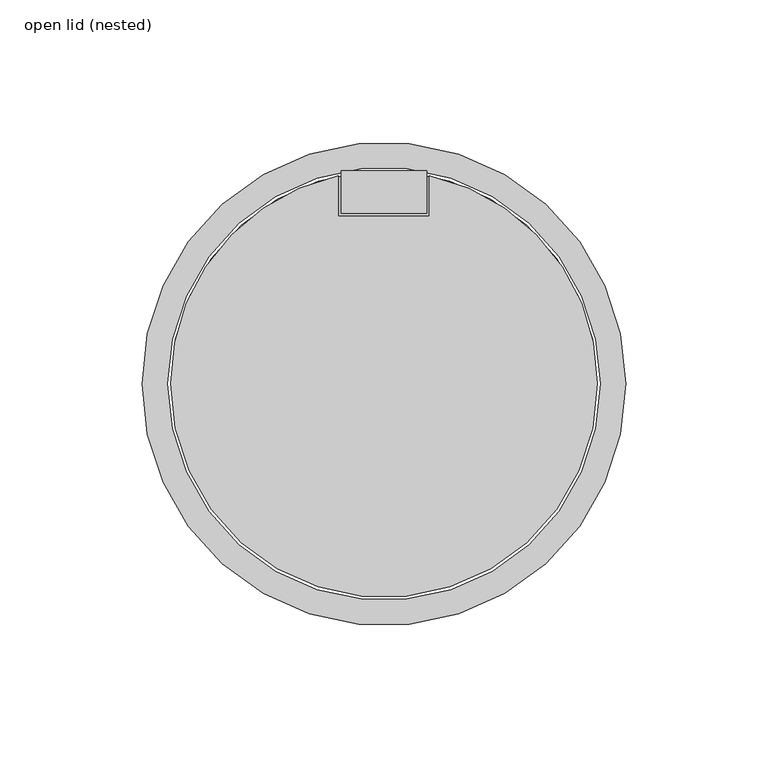
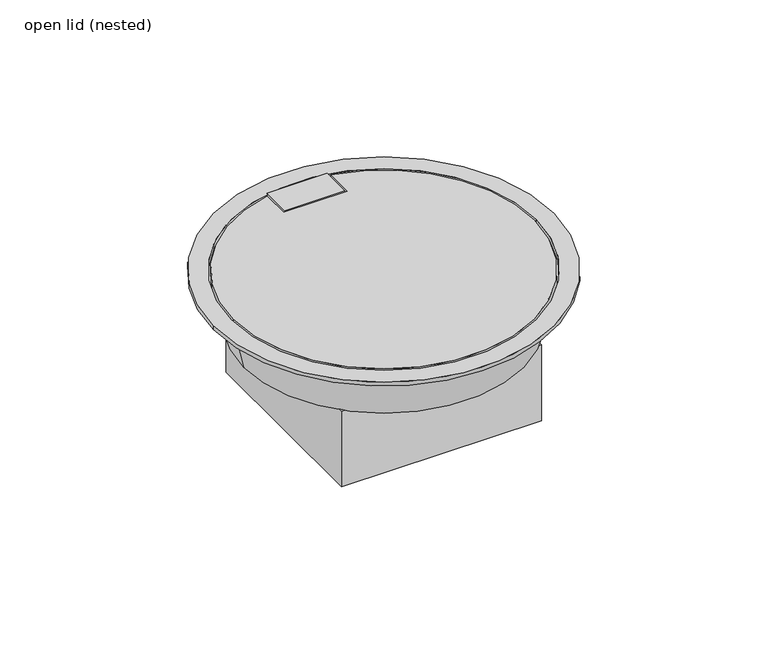
"""IFC4 building model written with IfcOpenShell, lengths in millimetres: outlet geometry, open lid (nested)."""

from ifc_helpers import new_model, si_unit, point, frame, origin, origin_with_axes, origin_2d, place, context, project, spatial, polyline, circle_curve, trimmed, segment, composite_curve, outline, extrude, faceted_brep, source, transform, mapped, element, save
from ifc_brep_helpers import plane_surface, revolved_surface, advanced_brep


def open_lid_nested_cd159df6(model_context):
    return source(origin(), model_context, "Body", "SolidModel", [
        faceted_brep([(50.0, 50.0, -25.0), (-50.0, 50.0, -25.0), (-50.0, -50.0, -25.0), (50.0, -50.0, -25.0), (-45.0, 22.5, -25.0), (45.0, 22.5, -25.0), (45.0, -22.5, -25.0), (-45.0, -22.5, -25.0), (50.0, 50.0, -65.0), (50.0, -50.0, -65.0), (-50.0, -50.0, -65.0), (-50.0, 50.0, -65.0), (45.0, 22.5, -43.0), (-45.0, 22.5, -43.0), (-45.0, -22.5, -43.0), (45.0, -22.5, -43.0)], [[[0, 1, 2, 3], [4, 5, 6, 7]], [[8, 9, 10, 11]], [[1, 0, 8, 11]], [[2, 1, 11, 10]], [[3, 2, 10, 9]], [[0, 3, 9, 8]], [[12, 13, 14, 15]], [[13, 12, 5, 4]], [[14, 13, 4, 7]], [[15, 14, 7, 6]], [[12, 15, 6, 5]]]),
        advanced_brep(
        [(-70.0, 0.0, -25.0), (70.0, 0.0, -25.0), (45.0, 22.5, -25.0), (-45.0, 22.5, -25.0), (-45.0, -22.5, -25.0), (45.0, -22.5, -25.0), (-75.0, 0.0, -3.0), (75.0, 0.0, -3.0), (-45.0, 22.5, -3.0), (45.0, 22.5, -3.0), (45.0, -22.5, -3.0), (-45.0, -22.5, -3.0)],
        [
            (0, 1, circle_curve(frame((0.0, 0.0, -25.0), z_axis=(0.0, 0.0, -1.0), x_axis=(-1.0, 0.0, 0.0)), 70.0)),
            (1, 0, circle_curve(frame((0.0, 0.0, -25.0), z_axis=(0.0, 0.0, -1.0), x_axis=(1.0, 0.0, 0.0)), 70.0)),
            (2, 3),
            (3, 4),
            (4, 5),
            (5, 2),
            (6, 7, circle_curve(frame((0.0, 0.0, -3.0), z_axis=(0.0, 0.0, 1.0), x_axis=(1.0, 0.0, 0.0)), 75.0)),
            (7, 6, circle_curve(frame((0.0, 0.0, -3.0), z_axis=(0.0, 0.0, 1.0), x_axis=(-1.0, 0.0, 0.0)), 75.0)),
            (8, 9),
            (9, 10),
            (10, 11),
            (11, 8),
            (0, 6),
            (7, 1),
            (2, 9),
            (8, 3),
            (11, 4),
            (10, 5),
        ],
        [
            plane_surface(frame((0.0, 0.0, -25.0), z_axis=(0.0, 0.0, -1.0), x_axis=(0.0, -1.0, 0.0))),
            plane_surface(frame((0.0, 0.0, -3.0), z_axis=(0.0, 0.0, 1.0), x_axis=(0.0, -1.0, 0.0))),
            revolved_surface(polyline([(-70.0, 0.0, -25.0), (-75.0, 0.0, -3.0)]), (0.0, 0.0, -333.0), (0.0, 0.0, 1.0)),
            revolved_surface(polyline([(70.0, 0.0, -25.0), (75.0, 0.0, -3.0)]), (0.0, 0.0, -333.0), (0.0, 0.0, 1.0)),
            plane_surface(frame((45.0, 22.5, -3.0), z_axis=(0.0, -1.0, 0.0), x_axis=(0.0, 0.0, -1.0))),
            plane_surface(frame((-45.0, 22.5, -3.0), z_axis=(1.0, 0.0, 0.0), x_axis=(0.0, 0.0, -1.0))),
            plane_surface(frame((-45.0, -22.5, -3.0), z_axis=(0.0, 1.0, 0.0), x_axis=(0.0, 0.0, -1.0))),
            plane_surface(frame((45.0, -22.5, -3.0), z_axis=(-1.0, 0.0, 0.0), x_axis=(0.0, 0.0, -1.0))),
        ],
        [
            (0, [[1, 2], [3, 4, 5, 6]]),
            (1, [[7, 8], [9, 10, 11, 12]]),
            (2, [[-1, 13, -8, 14]]),
            (3, [[-2, -14, -7, -13]]),
            (4, [[15, -9, 16, -3]]),
            (5, [[-16, -12, 17, -4]]),
            (6, [[-17, -11, 18, -5]]),
            (7, [[-15, -6, -18, -10]]),
        ],
    ),
        extrude(outline(composite_curve([segment(trimmed(circle_curve(origin_2d(), 75.0), [point((75.0, 0.0))], [point((-75.0, 0.0))], False, "CARTESIAN"), True, "CONTINUOUS"), segment(trimmed(circle_curve(origin_2d(), 75.0), [point((-75.0, 0.0))], [point((-16.0, 73.2734604))], False, "CARTESIAN"), True, "CONTINUOUS"), segment(polyline([(-16.0, 73.2734604), (-16.0, 59.0), (16.0, 59.0), (16.0, 73.2734604)]), True, "CONTINUOUS"), segment(trimmed(circle_curve(origin_2d(), 75.0), [point((16.0, 73.2734604))], [point((75.0, 0.0))], False, "CARTESIAN"), True, "CONTINUOUS")], self_intersect=False)), frame((0.0, 0.0, -3.0), z_axis=(0.0, 0.0, 1.0), x_axis=(1.0, 0.0, 0.0)), (0.0, 0.0, 1.0), 5.0),
        extrude(outline(polyline([(15.0, 75.0), (15.0, 60.0), (-15.0, 60.0), (-15.0, 75.0), (15.0, 75.0)])), frame((0.0, 0.0, -3.0), z_axis=(0.0, 0.0, 1.0), x_axis=(1.0, 0.0, 0.0)), (0.0, 0.0, 1.0), 5.0),
        extrude(outline(composite_curve([segment(trimmed(circle_curve(origin_2d(), 85.0), [point((-85.0, 0.0))], [point((85.0, 0.0))], False, "CARTESIAN"), True, "CONTINUOUS"), segment(trimmed(circle_curve(origin_2d(), 85.0), [point((85.0, 0.0))], [point((-85.0, 0.0))], False, "CARTESIAN"), True, "CONTINUOUS")], self_intersect=False), holes=[composite_curve([segment(trimmed(circle_curve(origin_2d(), 76.0), [point((-76.0, 0.0))], [point((76.0, 0.0))], True, "CARTESIAN"), True, "CONTINUOUS"), segment(trimmed(circle_curve(origin_2d(), 76.0), [point((76.0, 0.0))], [point((-76.0, 0.0))], True, "CARTESIAN"), True, "CONTINUOUS")], self_intersect=False)]), origin_with_axes(), (0.0, 0.0, 1.0), 2.0),
    ])


if __name__ == "__main__":
    model = new_model("IFC4")
    model_context = context("Model", 3, world=origin())
    ifc_project = project(units=[si_unit("LENGTHUNIT", "METRE", prefix="MILLI")], contexts=[model_context])
    site = spatial("IfcSite", under=ifc_project)
    building = spatial("IfcBuilding", under=site)
    placement = place(None, origin())
    open_lid_nested_shape = open_lid_nested_cd159df6(model_context)
    element("IfcOutlet", 1, ObjectType="open lid (nested)", at=placement, inside=building, context=model_context, shape_type="MappedRepresentation", body=[
        mapped(open_lid_nested_shape, transform((0.0, 0.0, 0.0), x_axis=(1.0, 0.0, 0.0), y_axis=(0.0, 1.0, 0.0), z_axis=(0.0, 0.0, 1.0))),
    ])
    save(model, "model.ifc")
